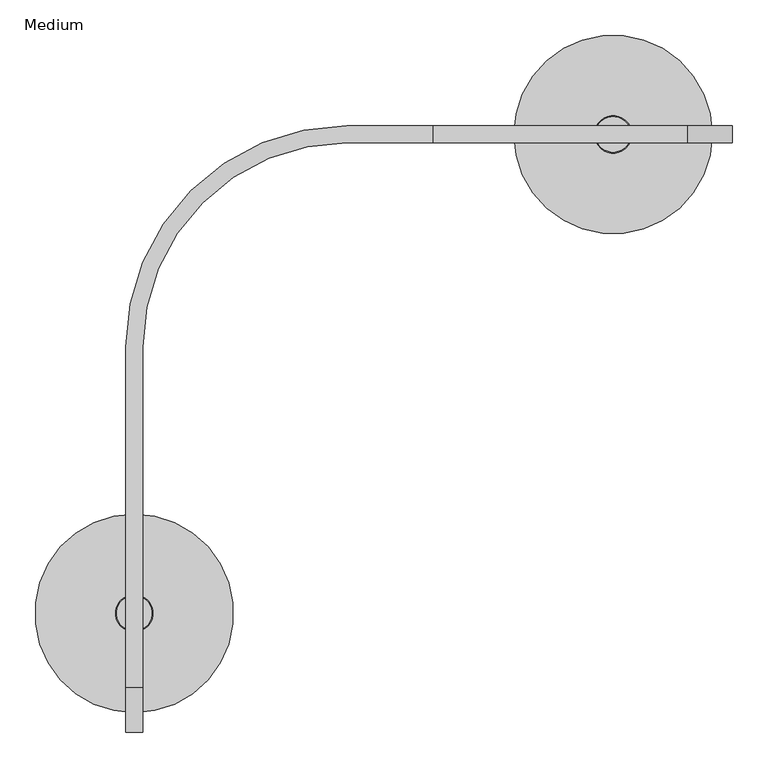
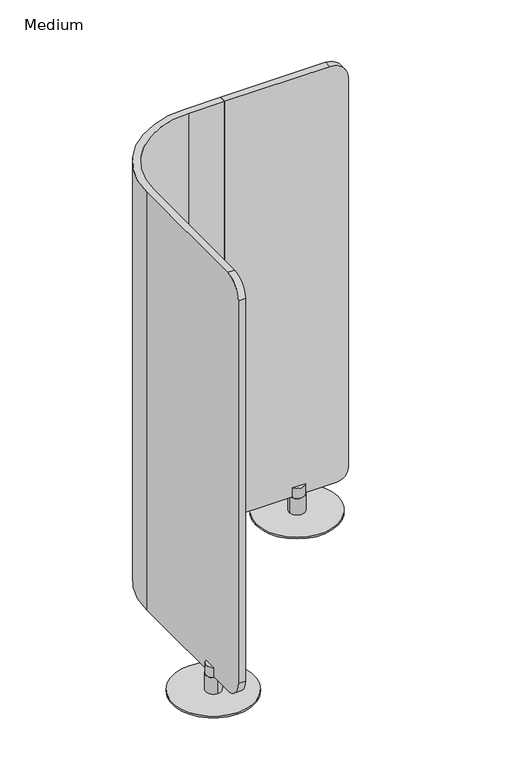
"""IFC4 building model written with IfcOpenShell, lengths in millimetres: furniture geometry, Medium."""

from ifc_helpers import new_model, si_unit, point, frame, frame_2d, origin, origin_with_axes, place, context, project, spatial, polyline, circle_curve, trimmed, segment, composite_curve, outline, extrude, source, transform, mapped, element, save
from ifc_brep_helpers import plane_surface, cylinder_surface, revolved_surface, advanced_brep


def medium_c216f7eb(model_context):
    return source(origin(), model_context, "Body", "SolidModel", [
        extrude(outline(composite_curve([segment(trimmed(circle_curve(frame_2d((132.588, -685.8)), 12.7), [point((132.588, -673.1))], [point((132.588, -698.5))], False, "CARTESIAN"), True, "CONTINUOUS"), segment(trimmed(circle_curve(frame_2d((132.588, -685.8)), 12.7), [point((132.588, -698.5))], [point((132.588, -673.1))], False, "CARTESIAN"), True, "CONTINUOUS")], self_intersect=False)), origin_with_axes(), (0.0, 0.0, 1.0), 1.524),
        extrude(outline(composite_curve([segment(trimmed(circle_curve(frame_2d((11.938, -806.45)), 12.7), [point((11.938, -793.75))], [point((11.938, -819.15))], False, "CARTESIAN"), True, "CONTINUOUS"), segment(trimmed(circle_curve(frame_2d((11.938, -806.45)), 12.7), [point((11.938, -819.15))], [point((11.938, -793.75))], False, "CARTESIAN"), True, "CONTINUOUS")], self_intersect=False)), origin_with_axes(), (0.0, 0.0, 1.0), 1.524),
        extrude(outline(composite_curve([segment(trimmed(circle_curve(frame_2d((11.938, -565.15)), 12.7), [point((11.938, -577.85))], [point((11.938, -552.45))], False, "CARTESIAN"), True, "CONTINUOUS"), segment(trimmed(circle_curve(frame_2d((11.938, -565.15)), 12.7), [point((11.938, -552.45))], [point((11.938, -577.85))], False, "CARTESIAN"), True, "CONTINUOUS")], self_intersect=False)), origin_with_axes(), (0.0, 0.0, 1.0), 1.524),
        extrude(outline(composite_curve([segment(trimmed(circle_curve(frame_2d((-108.712, -685.8)), 12.7), [point((-108.712, -673.1))], [point((-108.712, -698.5))], False, "CARTESIAN"), True, "CONTINUOUS"), segment(trimmed(circle_curve(frame_2d((-108.712, -685.8)), 12.7), [point((-108.712, -698.5))], [point((-108.712, -673.1))], False, "CARTESIAN"), True, "CONTINUOUS")], self_intersect=False)), origin_with_axes(), (0.0, 0.0, 1.0), 1.524),
        advanced_brep(
        [(11.938, -659.511, 7.8738108), (11.938, -712.089, 7.8738108), (11.938, -685.8, 7.8738108), (11.938, -659.511, 67.1039066), (11.938, -712.089, 67.1039066), (23.876, -707.7660094, 102.874898), (23.876, -663.8339906, 102.874898), (0.0, -663.8339906, 102.874898), (0.0, -707.7660094, 102.874898), (11.938, -710.8004282, 67.1039066), (11.938, -660.7995718, 67.1039066), (11.938, -660.7995718, 71.12), (23.876, -663.8339906, 71.12), (23.876, -707.7660094, 71.12), (11.938, -710.8004282, 71.12), (0.0, -707.7660094, 71.12), (0.0, -663.8339906, 71.12)],
        [
            (0, 1, circle_curve(frame((11.938, -685.8, 7.8738108), z_axis=(0.0, 0.0, -1.0), x_axis=(0.0, -1.0, 0.0)), 26.289)),
            (1, 2),
            (2, 0),
            (1, 0, circle_curve(frame((11.938, -685.8, 7.8738108), z_axis=(0.0, 0.0, -1.0), x_axis=(0.0, -1.0, 0.0)), 26.289)),
            (0, 3),
            (3, 4, circle_curve(frame((11.938, -685.8, 67.1039066), z_axis=(0.0, 0.0, -1.0), x_axis=(0.0, -1.0, 0.0)), 26.289)),
            (4, 1),
            (4, 3, circle_curve(frame((11.938, -685.8, 67.1039066), z_axis=(0.0, 0.0, -1.0), x_axis=(0.0, -1.0, 0.0)), 26.289)),
            (5, 6, circle_curve(frame((11.938, -685.8, 102.874898), z_axis=(0.0, 0.0, 1.0), x_axis=(0.0, -1.0, 0.0)), 25.0004282)),
            (6, 5),
            (7, 8, circle_curve(frame((11.938, -685.8, 102.874898), z_axis=(0.0, 0.0, 1.0), x_axis=(0.0, -1.0, 0.0)), 25.0004282)),
            (8, 7),
            (9, 10, circle_curve(frame((11.938, -685.8, 67.1039066), z_axis=(0.0, 0.0, 1.0), x_axis=(0.0, -1.0, 0.0)), 25.0004282)),
            (10, 11),
            (11, 12, circle_curve(frame((11.938, -685.8, 71.12), z_axis=(0.0, 0.0, -1.0), x_axis=(0.0, -1.0, 0.0)), 25.0004282)),
            (12, 6),
            (5, 13),
            (13, 14, circle_curve(frame((11.938, -685.8, 71.12), z_axis=(0.0, 0.0, -1.0), x_axis=(0.0, -1.0, 0.0)), 25.0004282)),
            (14, 9),
            (10, 9, circle_curve(frame((11.938, -685.8, 67.1039066), z_axis=(0.0, 0.0, 1.0), x_axis=(0.0, -1.0, 0.0)), 25.0004282)),
            (14, 15, circle_curve(frame((11.938, -685.8, 71.12), z_axis=(0.0, 0.0, -1.0), x_axis=(0.0, -1.0, 0.0)), 25.0004282)),
            (15, 8),
            (7, 16),
            (16, 11, circle_curve(frame((11.938, -685.8, 71.12), z_axis=(0.0, 0.0, -1.0), x_axis=(0.0, -1.0, 0.0)), 25.0004282)),
            (15, 16),
            (13, 12),
            (3, 10),
            (9, 4),
        ],
        [
            plane_surface(frame((11.938, -685.8, 7.8738108), z_axis=(0.0, 0.0, -1.0), x_axis=(0.0, -1.0, 0.0))),
            cylinder_surface(frame((11.938, -685.8, 140.974898), z_axis=(0.0, 0.0, 1.0), x_axis=(0.0, -1.0, 0.0)), 26.289),
            plane_surface(frame((11.938, -685.8, 102.874898), z_axis=(0.0, 0.0, 1.0), x_axis=(0.0, -1.0, 0.0))),
            cylinder_surface(frame((11.938, -685.8, 140.974898), z_axis=(0.0, 0.0, 1.0), x_axis=(0.0, -1.0, 0.0)), 25.0004282),
            plane_surface(frame((0.0, -736.6, 102.874898), z_axis=(1.0, 0.0, 0.0), x_axis=(0.0, 1.0, 0.0))),
            plane_surface(frame((0.0, -736.6, 71.12), z_axis=(0.0, 0.0, 1.0), x_axis=(0.0, 1.0, 0.0))),
            plane_surface(frame((23.876, -736.6, 71.12), z_axis=(-1.0, 0.0, 0.0), x_axis=(0.0, 1.0, 0.0))),
            plane_surface(frame((11.938, -685.8, 67.1039066), z_axis=(0.0, 0.0, 1.0), x_axis=(0.0, -1.0, 0.0))),
        ],
        [
            (0, [[1, 2, 3]]),
            (0, [[-2, 4, -3]]),
            (1, [[-1, 5, 6, 7]]),
            (1, [[-4, -7, 8, -5]]),
            (2, [[9, 10]]),
            (2, [[11, 12]]),
            (3, [[13, 14, 15, 16, -9, 17, 18, 19]]),
            (3, [[20, -19, 21, 22, -11, 23, 24, -14]]),
            (4, [[25, -23, -12, -22]]),
            (5, [[-25, -21, -18, 26, -15, -24]]),
            (6, [[-26, -17, -10, -16]]),
            (7, [[-6, 27, -13, 28]]),
            (7, [[-8, -28, -20, -27]]),
        ],
    ),
        extrude(outline(composite_curve([segment(trimmed(circle_curve(frame_2d((11.938, -685.8)), 139.7), [point((11.938, -546.1))], [point((11.938, -825.5))], False, "CARTESIAN"), True, "CONTINUOUS"), segment(trimmed(circle_curve(frame_2d((11.938, -685.8)), 139.7), [point((11.938, -825.5))], [point((11.938, -546.1))], False, "CARTESIAN"), True, "CONTINUOUS")], self_intersect=False)), frame((0.0, 0.0, 1.524), z_axis=(0.0, 0.0, 1.0), x_axis=(1.0, 0.0, 0.0)), (0.0, 0.0, 1.0), 6.35),
        extrude(outline(composite_curve([segment(trimmed(circle_curve(frame_2d((685.8, 108.712)), 12.7), [point((698.5, 108.712))], [point((673.1, 108.712))], False, "CARTESIAN"), True, "CONTINUOUS"), segment(trimmed(circle_curve(frame_2d((685.8, 108.712)), 12.7), [point((673.1, 108.712))], [point((698.5, 108.712))], False, "CARTESIAN"), True, "CONTINUOUS")], self_intersect=False)), origin_with_axes(), (0.0, 0.0, 1.0), 1.524),
        extrude(outline(composite_curve([segment(trimmed(circle_curve(frame_2d((565.15, -11.938)), 12.7), [point((577.85, -11.938))], [point((552.45, -11.938))], False, "CARTESIAN"), True, "CONTINUOUS"), segment(trimmed(circle_curve(frame_2d((565.15, -11.938)), 12.7), [point((552.45, -11.938))], [point((577.85, -11.938))], False, "CARTESIAN"), True, "CONTINUOUS")], self_intersect=False)), origin_with_axes(), (0.0, 0.0, 1.0), 1.524),
        extrude(outline(composite_curve([segment(trimmed(circle_curve(frame_2d((806.45, -11.938)), 12.7), [point((793.75, -11.938))], [point((819.15, -11.938))], False, "CARTESIAN"), True, "CONTINUOUS"), segment(trimmed(circle_curve(frame_2d((806.45, -11.938)), 12.7), [point((819.15, -11.938))], [point((793.75, -11.938))], False, "CARTESIAN"), True, "CONTINUOUS")], self_intersect=False)), origin_with_axes(), (0.0, 0.0, 1.0), 1.524),
        extrude(outline(composite_curve([segment(trimmed(circle_curve(frame_2d((685.8, -132.588)), 12.7), [point((698.5, -132.588))], [point((673.1, -132.588))], False, "CARTESIAN"), True, "CONTINUOUS"), segment(trimmed(circle_curve(frame_2d((685.8, -132.588)), 12.7), [point((673.1, -132.588))], [point((698.5, -132.588))], False, "CARTESIAN"), True, "CONTINUOUS")], self_intersect=False)), origin_with_axes(), (0.0, 0.0, 1.0), 1.524),
        advanced_brep(
        [(712.089, -11.938, 7.8738108), (685.8, -11.938, 7.8738108), (659.511, -11.938, 7.8738108), (659.511, -11.938, 67.1039066), (712.089, -11.938, 67.1039066), (663.8339906, 0.0, 102.874898), (707.7660094, 0.0, 102.874898), (707.7660094, -23.876, 102.874898), (663.8339906, -23.876, 102.874898), (660.7995718, -11.938, 67.1039066), (660.7995718, -11.938, 71.12), (663.8339906, 0.0, 71.12), (707.7660094, 0.0, 71.12), (710.8004282, -11.938, 71.12), (710.8004282, -11.938, 67.1039066), (707.7660094, -23.876, 71.12), (663.8339906, -23.876, 71.12)],
        [
            (0, 1),
            (1, 2),
            (2, 0, circle_curve(frame((685.8, -11.938, 7.8738108), z_axis=(0.0, 0.0, -1.0), x_axis=(-1.0, 0.0, 0.0)), 26.289)),
            (0, 2, circle_curve(frame((685.8, -11.938, 7.8738108), z_axis=(0.0, 0.0, -1.0), x_axis=(-1.0, 0.0, 0.0)), 26.289)),
            (2, 3),
            (3, 4, circle_curve(frame((685.8, -11.938, 67.1039066), z_axis=(0.0, 0.0, -1.0), x_axis=(-1.0, 0.0, 0.0)), 26.289)),
            (4, 0),
            (4, 3, circle_curve(frame((685.8, -11.938, 67.1039066), z_axis=(0.0, 0.0, -1.0), x_axis=(-1.0, 0.0, 0.0)), 26.289)),
            (5, 6),
            (6, 5, circle_curve(frame((685.8, -11.938, 102.874898), z_axis=(0.0, 0.0, 1.0), x_axis=(-1.0, 0.0, 0.0)), 25.0004282)),
            (7, 8),
            (8, 7, circle_curve(frame((685.8, -11.938, 102.874898), z_axis=(0.0, 0.0, 1.0), x_axis=(-1.0, 0.0, 0.0)), 25.0004282)),
            (9, 10),
            (10, 11, circle_curve(frame((685.8, -11.938, 71.12), z_axis=(0.0, 0.0, -1.0), x_axis=(-1.0, 0.0, 0.0)), 25.0004282)),
            (11, 5),
            (6, 12),
            (12, 13, circle_curve(frame((685.8, -11.938, 71.12), z_axis=(0.0, 0.0, -1.0), x_axis=(-1.0, 0.0, 0.0)), 25.0004282)),
            (13, 14),
            (14, 9, circle_curve(frame((685.8, -11.938, 67.1039066), z_axis=(0.0, 0.0, 1.0), x_axis=(-1.0, 0.0, 0.0)), 25.0004282)),
            (13, 15, circle_curve(frame((685.8, -11.938, 71.12), z_axis=(0.0, 0.0, -1.0), x_axis=(-1.0, 0.0, 0.0)), 25.0004282)),
            (15, 7),
            (8, 16),
            (16, 10, circle_curve(frame((685.8, -11.938, 71.12), z_axis=(0.0, 0.0, -1.0), x_axis=(-1.0, 0.0, 0.0)), 25.0004282)),
            (9, 14, circle_curve(frame((685.8, -11.938, 67.1039066), z_axis=(0.0, 0.0, 1.0), x_axis=(-1.0, 0.0, 0.0)), 25.0004282)),
            (15, 16),
            (12, 11),
            (3, 9),
            (14, 4),
        ],
        [
            plane_surface(frame((685.8, -11.938, 7.8738108), z_axis=(0.0, 0.0, -1.0), x_axis=(-1.0, 0.0, 0.0))),
            cylinder_surface(frame((685.8, -11.938, 140.974898), z_axis=(0.0, 0.0, 1.0), x_axis=(-1.0, 0.0, 0.0)), 26.289),
            plane_surface(frame((685.8, -11.938, 102.874898), z_axis=(0.0, 0.0, 1.0), x_axis=(-1.0, 0.0, 0.0))),
            cylinder_surface(frame((685.8, -11.938, 140.974898), z_axis=(0.0, 0.0, 1.0), x_axis=(-1.0, 0.0, 0.0)), 25.0004282),
            plane_surface(frame((635.0, -23.876, 102.874898), z_axis=(0.0, 1.0, 0.0), x_axis=(1.0, 0.0, 0.0))),
            plane_surface(frame((635.0, -23.876, 71.12), z_axis=(0.0, 0.0, 1.0), x_axis=(1.0, 0.0, 0.0))),
            plane_surface(frame((635.0, 0.0, 71.12), z_axis=(0.0, -1.0, 0.0), x_axis=(1.0, 0.0, 0.0))),
            plane_surface(frame((685.8, -11.938, 67.1039066), z_axis=(0.0, 0.0, 1.0), x_axis=(-1.0, 0.0, 0.0))),
        ],
        [
            (0, [[1, 2, 3]]),
            (0, [[-1, 4, -2]]),
            (1, [[5, 6, 7, -3]]),
            (1, [[-7, 8, -5, -4]]),
            (2, [[9, 10]]),
            (2, [[11, 12]]),
            (3, [[13, 14, 15, -10, 16, 17, 18, 19]]),
            (3, [[-18, 20, 21, -12, 22, 23, -13, 24]]),
            (4, [[-22, -11, -21, 25]]),
            (5, [[-20, -17, 26, -14, -23, -25]]),
            (6, [[-16, -9, -15, -26]]),
            (7, [[27, -19, 28, -6]]),
            (7, [[-28, -24, -27, -8]]),
        ],
    ),
        extrude(outline(composite_curve([segment(trimmed(circle_curve(frame_2d((685.8, -11.938)), 139.7), [point((825.5, -11.938))], [point((546.1, -11.938))], False, "CARTESIAN"), True, "CONTINUOUS"), segment(trimmed(circle_curve(frame_2d((685.8, -11.938)), 139.7), [point((546.1, -11.938))], [point((825.5, -11.938))], False, "CARTESIAN"), True, "CONTINUOUS")], self_intersect=False)), frame((0.0, 0.0, 1.524), z_axis=(0.0, 0.0, 1.0), x_axis=(1.0, 0.0, 0.0)), (0.0, 0.0, 1.0), 6.35),
        advanced_brep(
        [(23.876, -311.15, 1574.8), (311.15, -23.876, 1574.8), (431.8, -23.876, 1574.8), (431.8, 0.0, 1574.8), (311.15, 0.0, 1574.8), (0.0, -311.15, 1574.8), (0.0, -789.94, 1574.8), (23.876, -789.94, 1574.8), (0.0, -311.15, 71.12), (311.15, 0.0, 71.12), (431.8, 0.0, 71.12), (431.8, -23.876, 71.12), (311.15, -23.876, 71.12), (23.876, -311.15, 71.12), (23.876, -789.94, 71.12), (0.0, -789.94, 71.12), (23.876, -853.44, 1511.3), (23.876, -853.44, 134.62), (0.0, -853.44, 134.62), (0.0, -853.44, 1511.3)],
        [
            (0, 1, circle_curve(frame((311.15, -311.15, 1574.8), z_axis=(0.0, 0.0, -1.0), x_axis=(1.0, 0.0, 0.0)), 287.274)),
            (1, 2),
            (2, 3),
            (3, 4),
            (4, 5, circle_curve(frame((311.15, -311.15, 1574.8), z_axis=(0.0, 0.0, 1.0), x_axis=(1.0, 0.0, 0.0)), 311.15)),
            (5, 6),
            (6, 7),
            (7, 0),
            (8, 9, circle_curve(frame((311.15, -311.15, 71.12), z_axis=(0.0, 0.0, -1.0), x_axis=(1.0, 0.0, 0.0)), 311.15)),
            (9, 10),
            (10, 11),
            (11, 12),
            (12, 13, circle_curve(frame((311.15, -311.15, 71.12), z_axis=(0.0, 0.0, 1.0), x_axis=(1.0, 0.0, 0.0)), 287.274)),
            (13, 14),
            (14, 15),
            (15, 8),
            (7, 16, circle_curve(frame((23.876, -789.94, 1511.3), z_axis=(1.0, 0.0, 0.0), x_axis=(0.0, 1.0, 0.0)), 63.5)),
            (16, 17),
            (17, 14, circle_curve(frame((23.876, -789.94, 134.62), z_axis=(1.0, 0.0, 0.0), x_axis=(0.0, 1.0, 0.0)), 63.5)),
            (13, 0),
            (1, 12),
            (11, 2),
            (10, 3),
            (9, 4),
            (8, 5),
            (15, 18, circle_curve(frame((0.0, -789.94, 134.62), z_axis=(-1.0, 0.0, 0.0), x_axis=(0.0, 1.0, 0.0)), 63.5)),
            (18, 19),
            (19, 6, circle_curve(frame((0.0, -789.94, 1511.3), z_axis=(-1.0, 0.0, 0.0), x_axis=(0.0, 1.0, 0.0)), 63.5)),
            (19, 16),
            (18, 17),
        ],
        [
            plane_surface(frame((23.876, -777.24, 1574.8), z_axis=(0.0, 0.0, 1.0), x_axis=(1.0, 0.0, 0.0))),
            plane_surface(frame((23.876, -777.24, 71.12), z_axis=(0.0, 0.0, -1.0), x_axis=(-1.0, 0.0, 0.0))),
            plane_surface(frame((23.876, -777.24, 1574.8), z_axis=(1.0, 0.0, 0.0), x_axis=(0.0, 0.0, -1.0))),
            plane_surface(frame((311.15, -23.876, 1574.8), z_axis=(0.0, -1.0, 0.0), x_axis=(0.0, 0.0, -1.0))),
            plane_surface(frame((431.8, -23.876, 1574.8), z_axis=(1.0, 0.0, 0.0), x_axis=(0.0, 0.0, -1.0))),
            plane_surface(frame((431.8, 0.0, 1574.8), z_axis=(0.0, 1.0, 0.0), x_axis=(0.0, 0.0, -1.0))),
            cylinder_surface(frame((311.15, -311.15, 71.12), z_axis=(0.0, 0.0, 1.0), x_axis=(1.0, 0.0, 0.0)), 311.15),
            plane_surface(frame((0.0, -311.15, 1574.8), z_axis=(-1.0, 0.0, 0.0), x_axis=(0.0, 0.0, -1.0))),
            revolved_surface(polyline([(598.424, -311.15, 71.12), (598.424, -311.15, 1574.7999999999997)]), (311.15, -311.15, 71.12), (0.0, 0.0, -1.0)),
            cylinder_surface(frame((0.0, -789.94, 1511.3), z_axis=(1.0, 0.0, 0.0), x_axis=(0.0, 1.0, 0.0)), 63.5),
            plane_surface(frame((23.876, -853.44, 1511.3), z_axis=(0.0, -1.0, 0.0), x_axis=(-1.0, 0.0, 0.0))),
            cylinder_surface(frame((0.0, -789.94, 134.62), z_axis=(1.0, 0.0, 0.0), x_axis=(0.0, 1.0, 0.0)), 63.5),
        ],
        [
            (0, [[1, 2, 3, 4, 5, 6, 7, 8]]),
            (1, [[9, 10, 11, 12, 13, 14, 15, 16]]),
            (2, [[-8, 17, 18, 19, -14, 20]]),
            (3, [[-2, 21, -12, 22]]),
            (4, [[-3, -22, -11, 23]]),
            (5, [[-4, -23, -10, 24]]),
            (6, [[-5, -24, -9, 25]]),
            (7, [[-6, -25, -16, 26, 27, 28]]),
            (8, [[-1, -20, -13, -21]]),
            (9, [[-17, -7, -28, 29]]),
            (10, [[-18, -29, -27, 30]]),
            (11, [[-19, -30, -26, -15]]),
        ],
    ),
        extrude(outline(composite_curve([segment(polyline([(1574.8, 789.94), (1574.8, 431.8), (71.12, 431.8), (71.12, 812.8)]), True, "CONTINUOUS"), segment(trimmed(circle_curve(frame_2d((111.76, 812.8)), 40.64), [point((71.12, 812.8))], [point((111.76, 853.44))], False, "CARTESIAN"), True, "CONTINUOUS"), segment(polyline([(111.76, 853.44), (1511.3, 853.44)]), True, "CONTINUOUS"), segment(trimmed(circle_curve(frame_2d((1511.3, 789.94)), 63.5), [point((1511.3, 853.44))], [point((1574.8, 789.94))], False, "CARTESIAN"), True, "CONTINUOUS")], self_intersect=False)), frame((0.0, -23.876, 0.0), z_axis=(0.0, 1.0, 0.0), x_axis=(0.0, 0.0, 1.0)), (0.0, 0.0, 1.0), 23.876),
    ])


if __name__ == "__main__":
    model = new_model("IFC4")
    model_context = context("Model", 3, world=origin())
    ifc_project = project(units=[si_unit("LENGTHUNIT", "METRE", prefix="MILLI")], contexts=[model_context])
    site = spatial("IfcSite", under=ifc_project)
    building = spatial("IfcBuilding", under=site)
    placement = place(None, origin())
    medium_shape = medium_c216f7eb(model_context)
    element("IfcFurniture", 1, ObjectType="Medium", at=placement, inside=building, context=model_context, shape_type="MappedRepresentation", body=[
        mapped(medium_shape, transform((0.0, 0.0, 0.0), x_axis=(1.0, 0.0, 0.0), y_axis=(0.0, 1.0, 0.0), z_axis=(0.0, 0.0, 1.0))),
    ])
    save(model, "model.ifc")
